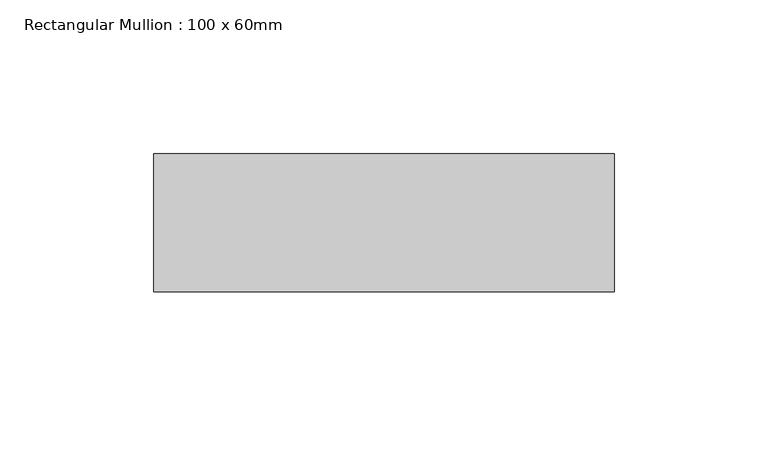
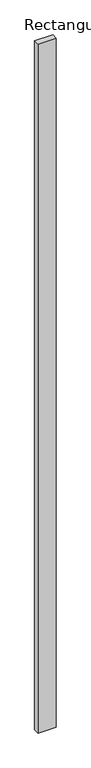
"""IFC4 building model written with IfcOpenShell, lengths in millimetres: member geometry, Rectangular Mullion : 100 x 60mm."""

import ifcopenshell
import ifcopenshell.guid

model = None  # the IFC model being written
_history = None  # IfcOwnerHistory: only IFC2X3 demands one
_inside = {}  # id of a spatial element -> (the spatial element, [elements in it])
_under = {}  # id of a project, library or spatial element -> (it, [spatial elements below it])
_declared = {}  # id of a project -> (the project, [libraries it declares])
_typed = {}  # id of a type object -> (the type object, [elements of that type])
_made_of = {}  # id of a material, layer set ... -> (it, [elements and type objects made of it])


def new_model(schema):
    """Start an empty IFC model of exactly this schema.

    Asked for "IFC4X3", IfcOpenShell would pick the latest addendum, in which some entities
    have other attributes; the version numbers below select the first issue.
    IFC2X3 requires an IfcOwnerHistory on every rooted entity: one is made here for all.
    """
    global model, _history
    if schema == "IFC4X3":
        model = ifcopenshell.file(schema_version=(4, 3, 0, 0))
    else:
        model = ifcopenshell.file(schema=schema)
    _inside.clear()
    _under.clear()
    _declared.clear()
    _typed.clear()
    _made_of.clear()
    _history = None
    if model.schema == "IFC2X3":
        org = make("IfcOrganization", Name="unknown")
        user = make(
            "IfcPersonAndOrganization",
            ThePerson=make("IfcPerson", FamilyName="unknown"),
            TheOrganization=org,
        )
        app = make(
            "IfcApplication",
            ApplicationDeveloper=org,
            Version="unknown",
            ApplicationFullName="unknown",
            ApplicationIdentifier="unknown",
        )
        _history = make(
            "IfcOwnerHistory",
            OwningUser=user,
            OwningApplication=app,
            ChangeAction="ADDED",
            CreationDate=0,
        )
    return model


def make(cls, **values):
    """One entity of the class cls with the attributes given. An attribute that is None is left unset."""
    return model.create_entity(
        cls, **{name: value for name, value in values.items() if value is not None}
    )


def rooted(cls, **values):
    """An entity with a GlobalId (a new one), such as an element, a storey or a relation."""
    return make(cls, GlobalId=ifcopenshell.guid.new(), OwnerHistory=_history, **values)


def si_unit(unit_type, name, prefix=None):
    """IfcSIUnit, for example si_unit("LENGTHUNIT", "METRE", prefix="MILLI")."""
    return make("IfcSIUnit", UnitType=unit_type, Prefix=prefix, Name=name)


def assignment(units):
    """IfcUnitAssignment: the units of a project."""
    return None if units is None else make("IfcUnitAssignment", Units=units)


def point(xyz):
    """IfcCartesianPoint."""
    return None if xyz is None else make("IfcCartesianPoint", Coordinates=xyz)


def direction(xyz):
    """IfcDirection."""
    return None if xyz is None else make("IfcDirection", DirectionRatios=xyz)


def frame(location, z_axis=None, x_axis=None):
    """IfcAxis2Placement3D, a coordinate frame: its origin and axes. An axis left out is left unset."""
    return make(
        "IfcAxis2Placement3D",
        Location=point(location),
        Axis=direction(z_axis),
        RefDirection=direction(x_axis),
    )


def origin():
    """The frame at (0, 0, 0) with its axes left unset."""
    return frame((0.0, 0.0, 0.0))


def place(relative_to, where):
    """IfcLocalPlacement: puts the frame where relative to a parent placement (None: the world)."""
    return make(
        "IfcLocalPlacement", PlacementRelTo=relative_to, RelativePlacement=where
    )


def context(
    kind, dimensions, precision=None, world=None, true_north=None, identifier=None
):
    """IfcGeometricRepresentationContext, for example the 3D "Model" context."""
    return make(
        "IfcGeometricRepresentationContext",
        ContextIdentifier=identifier,
        ContextType=kind,
        CoordinateSpaceDimension=dimensions,
        Precision=precision,
        WorldCoordinateSystem=world,
        TrueNorth=true_north,
    )


def project(units=None, contexts=None):
    """IfcProject with its units and contexts."""
    return rooted(
        "IfcProject",
        Name="project",
        RepresentationContexts=contexts,
        UnitsInContext=assignment(units),
    )


def spatial(cls, under=None, at=None, **own):
    """A site, building, storey or space (cls), placed at a placement, below another one or the project."""
    s = rooted(cls, ObjectPlacement=at, **own)
    if under is not None:
        _under.setdefault(under.id(), (under, []))[1].append(s)
    return s


def polyline(points):
    """IfcPolyline through the points."""
    return make("IfcPolyline", Points=[point(p) for p in points])


def outline(outer, holes=None, kind="AREA"):
    """IfcArbitraryClosedProfileDef: a profile drawn as a closed curve; with holes, ...WithVoids."""
    if holes is None:
        return make("IfcArbitraryClosedProfileDef", ProfileType=kind, OuterCurve=outer)
    return make(
        "IfcArbitraryProfileDefWithVoids",
        ProfileType=kind,
        OuterCurve=outer,
        InnerCurves=holes,
    )


def extrude(swept, where, along, depth):
    """IfcExtrudedAreaSolid: the profile swept, set in the frame where, extruded along a direction by depth."""
    return make(
        "IfcExtrudedAreaSolid",
        SweptArea=swept,
        Position=where,
        ExtrudedDirection=direction(along),
        Depth=depth,
    )


def shape(context_of_items, identifier, shape_type, items):
    """IfcShapeRepresentation: the items that make up one representation, for example the "Body"."""
    return make(
        "IfcShapeRepresentation",
        ContextOfItems=context_of_items,
        RepresentationIdentifier=identifier,
        RepresentationType=shape_type,
        Items=items,
    )


def source(mapping_origin, context_of_items, identifier, shape_type, items):
    """IfcRepresentationMap: a shape defined once, which mapped items show again and again."""
    return make(
        "IfcRepresentationMap",
        MappingOrigin=mapping_origin,
        MappedRepresentation=shape(context_of_items, identifier, shape_type, items),
    )


def transform(
    local_origin,
    x_axis=None,
    y_axis=None,
    z_axis=None,
    scale=None,
    scale2=None,
    scale3=None,
    uniform=True,
):
    """IfcCartesianTransformationOperator3D, or its non-uniform kind. x_axis, y_axis, z_axis: its Axis1, 2, 3."""
    if uniform:
        return make(
            "IfcCartesianTransformationOperator3D",
            Axis1=direction(x_axis),
            Axis2=direction(y_axis),
            LocalOrigin=point(local_origin),
            Scale=scale,
            Axis3=direction(z_axis),
        )
    return make(
        "IfcCartesianTransformationOperator3DnonUniform",
        Axis1=direction(x_axis),
        Axis2=direction(y_axis),
        LocalOrigin=point(local_origin),
        Scale=scale,
        Axis3=direction(z_axis),
        Scale2=scale2,
        Scale3=scale3,
    )


def mapped(mapping_source, mapping_target):
    """IfcMappedItem: shows the shape of a source again, moved by a transform."""
    return make(
        "IfcMappedItem", MappingSource=mapping_source, MappingTarget=mapping_target
    )


def made_of(thing, what):
    """Note that an element or type object is made of a material, layer set ...; save() writes the relation."""
    if what is not None:
        _made_of.setdefault(what.id(), (what, []))[1].append(thing)
    return thing


def element(
    cls,
    number,
    at=None,
    inside=None,
    cuts=None,
    type_object=None,
    material=None,
    context=None,
    identifier="Body",
    shape_type=None,
    held_by="IfcProductDefinitionShape",
    body=None,
    shapes=None,
    **own,
):
    """One element of the class cls, such as IfcWall. Its Tag is "e" and its number.

    at: its placement. inside: the storey or other place that contains it. cuts: it is an
    opening in that element (IfcRelVoidsElement). A single representation is given by context,
    identifier, shape_type and body (its items); several are given by shapes. held_by: the class
    of the entity that holds the representations. save() writes the other relations.
    """
    e = rooted(cls, Tag="e%d" % number, ObjectPlacement=at, **own)
    if body is not None:
        shapes = [shape(context, identifier, shape_type, body)]
    if shapes is not None:
        e.Representation = make(held_by, Representations=shapes)
    if inside is not None:
        _inside.setdefault(inside.id(), (inside, []))[1].append(e)
    if cuts is not None:
        rooted(
            "IfcRelVoidsElement", RelatingBuildingElement=cuts, RelatedOpeningElement=e
        )
    if type_object is not None:
        _typed.setdefault(type_object.id(), (type_object, []))[1].append(e)
    return made_of(e, material)


def aggregate(whole, parts):
    """IfcRelAggregates: a whole, such as a stair, and the parts it consists of."""
    return rooted("IfcRelAggregates", RelatingObject=whole, RelatedObjects=parts)


def save(model, path):
    """Write the relations noted so far, then the file.

    IfcRelAggregates (storeys below a building ...), IfcRelContainedInSpatialStructure (elements
    in a storey), IfcRelDefinesByType, IfcRelAssociatesMaterial and IfcRelDeclares: one each for
    every whole, place, type object, material and project.
    """
    for whole, parts in _under.values():
        aggregate(whole, parts)
    for where, things in _inside.values():
        rooted(
            "IfcRelContainedInSpatialStructure",
            RelatedElements=things,
            RelatingStructure=where,
        )
    for kind, things in _typed.values():
        rooted("IfcRelDefinesByType", RelatedObjects=things, RelatingType=kind)
    for what, things in _made_of.values():
        rooted("IfcRelAssociatesMaterial", RelatedObjects=things, RelatingMaterial=what)
    for by, libraries in _declared.values():
        rooted("IfcRelDeclares", RelatingContext=by, RelatedDefinitions=libraries)
    model.write(path)


def rectangular_mullion_100_x_60mm_4fce1063(model_context):
    return source(origin(), model_context, "Body", "SweptSolid", [
        extrude(outline(polyline([(-75.0, -30.0), (-75.0, 15.0), (75.0, 15.0), (75.0, -30.0), (-75.0, -30.0)])), frame((0.0, 0.0, -6000.0), z_axis=(0.0, 0.0, 1.0), x_axis=(1.0, 0.0, 0.0)), (0.0, 0.0, 1.0), 6000.0),
    ])


if __name__ == "__main__":
    model = new_model("IFC4")
    model_context = context("Model", 3, world=origin())
    ifc_project = project(units=[si_unit("LENGTHUNIT", "METRE", prefix="MILLI")], contexts=[model_context])
    site = spatial("IfcSite", under=ifc_project)
    building = spatial("IfcBuilding", under=site)
    placement = place(None, origin())
    rectangular_mullion_100_x_60mm_shape = rectangular_mullion_100_x_60mm_4fce1063(model_context)
    element("IfcMember", 1, ObjectType="Rectangular Mullion : 100 x 60mm", at=placement, inside=building, context=model_context, shape_type="MappedRepresentation", body=[
        mapped(rectangular_mullion_100_x_60mm_shape, transform((0.0, 0.0, 0.0), x_axis=(1.0, 0.0, 0.0), y_axis=(0.0, 1.0, 0.0), z_axis=(0.0, 0.0, 1.0))),
    ])
    save(model, "model.ifc")
